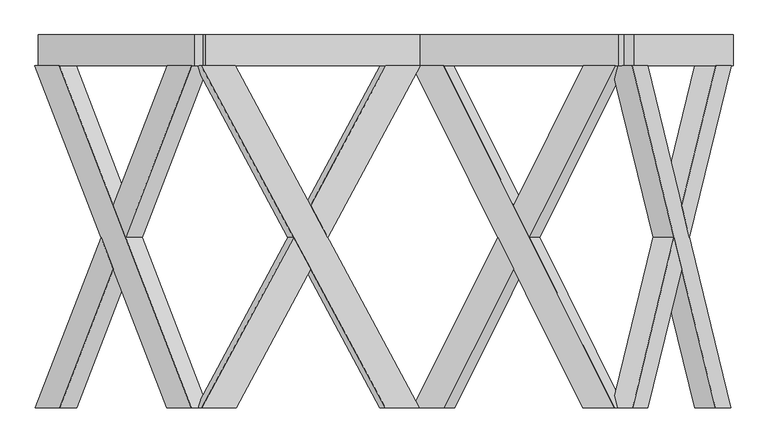
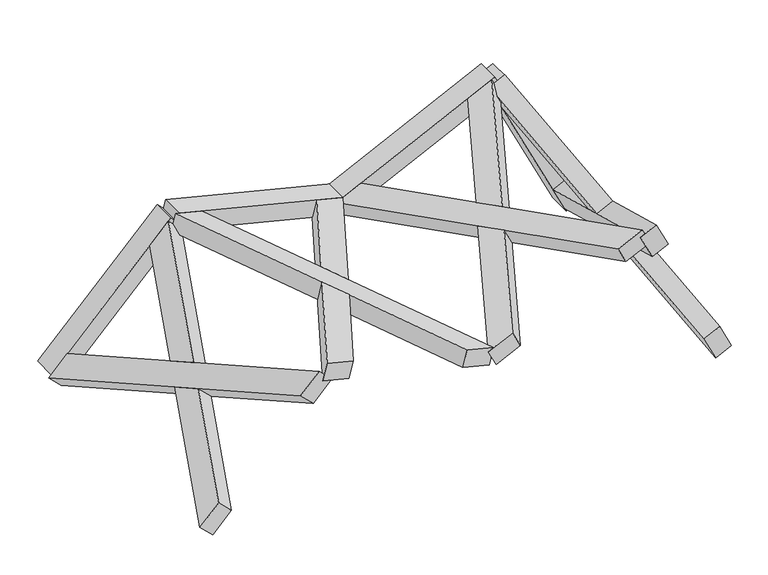
"""IFC4 building model written with IfcOpenShell, lengths in millimetres: proxy geometry."""

from ifc_helpers import new_model, si_unit, frame, origin, place, context, project, spatial, polyline, outline, extrude, faceted_brep, source, transform, mapped, element, save


def generic_models_7479a9da(model_context):
    return source(origin(), model_context, "Body", "SolidModel", [
        faceted_brep([(4303.3670753, -100.0, 17.1895597), (3763.9992457, -2319.6837757, 1123.0574928), (3663.7565589, -2319.6837757, 1328.5854586), (4203.1243885, -100.0, 222.7175255), (3798.5756658, -2319.6837757, 1394.3411306), (3898.8183526, -2319.6837757, 1188.8131648), (4117.3416451, -1420.3854116, 740.7740188), (4067.2203017, -1214.1188776, 843.5380017), (4438.1861822, -100.0, 82.9452317), (4337.9434954, -100.0, 288.4731975), (4117.3416451, -1007.8523437, 740.7740188), (4167.4629884, -1214.1188776, 638.0100359), (3999.8107482, -1214.1188776, 810.6601657), (4049.9320916, -1007.8523437, 707.8961828), (4100.053435, -1214.1188776, 605.1321999), (4049.9320916, -1420.3854116, 707.8961828)], [[[0, 1, 2, 3]], [[4, 5, 6, 7]], [[8, 9, 10, 11]], [[0, 3, 9, 8]], [[3, 2, 4, 7, 12, 13, 10, 9]], [[2, 1, 5, 4]], [[1, 0, 8, 11, 14, 15, 6, 5]], [[12, 15, 14, 13]], [[13, 14, 11, 10]], [[15, 12, 7, 6]]]),
        faceted_brep([(3661.6780009, -100.0, 1332.8471339), (3761.9206877, -100.0, 1127.3191681), (3982.5225381, -1007.8523437, 675.0183468), (3932.4011947, -1214.1188776, 777.7823297), (4301.2885173, -2319.6837757, 21.4512351), (4201.0458305, -2319.6837757, 226.9792009), (3982.5225381, -1420.3854116, 675.0183468), (4032.6438815, -1214.1188776, 572.2543639), (3796.4971079, -100.0, 1398.602806), (4335.8649375, -2319.6837757, 292.7348729), (4436.1076243, -2319.6837757, 87.2069071), (3896.7397947, -100.0, 1193.0748402), (4100.053435, -1214.1188776, 605.1321999), (4049.9320916, -1007.8523437, 707.8961828), (3999.8107482, -1214.1188776, 810.6601657), (4049.9320916, -1420.3854116, 707.8961828)], [[[0, 1, 2, 3]], [[4, 5, 6, 7]], [[8, 9, 10, 11]], [[1, 0, 8, 11]], [[11, 10, 4, 7, 12, 13, 2, 1]], [[5, 4, 10, 9]], [[9, 8, 0, 3, 14, 15, 6, 5]], [[12, 15, 14, 13]], [[13, 14, 3, 2]], [[15, 12, 7, 6]]]),
        extrude(outline(polyline([(148.3871943, 0.0), (348.3871943, 0.0), (348.3871943, -150.0), (148.3871943, -150.0), (148.3871943, 0.0)])), frame((4315.6846097, -248.3871943, -8.0651284), z_axis=(-0.43837114678907574, 0.0, 0.8987940462991679), x_axis=(0.0, 1.0, 0.0)), (0.0, 0.0, 1.0), 1460.0),
        faceted_brep([(3750.6954368, -100.0, 1257.3249274), (2644.8275037, -2319.6837757, 717.9570978), (2439.2995379, -2319.6837757, 617.714411), (3545.167471, -100.0, 1157.0822406), (2373.5438659, -2319.6837757, 752.5335179), (2579.0718317, -2319.6837757, 852.7762047), (3027.1109776, -1420.3854116, 1071.2994971), (2924.3469947, -1214.1188776, 1021.1781538), (3684.9397648, -100.0, 1392.1440343), (3479.411799, -100.0, 1291.9013475), (3027.1109776, -1007.8523437, 1071.2994971), (3129.8749605, -1214.1188776, 1121.4208405), (2957.2248307, -1214.1188776, 953.7686003), (3059.9888136, -1007.8523437, 1003.8899437), (3162.7527965, -1214.1188776, 1054.0112871), (3059.9888136, -1420.3854116, 1003.8899437)], [[[0, 1, 2, 3]], [[4, 5, 6, 7]], [[8, 9, 10, 11]], [[0, 3, 9, 8]], [[3, 2, 4, 7, 12, 13, 10, 9]], [[2, 1, 5, 4]], [[1, 0, 8, 11, 14, 15, 6, 5]], [[12, 15, 14, 13]], [[13, 14, 11, 10]], [[15, 12, 7, 6]]]),
        faceted_brep([(2435.0378625, -100.0, 615.635853), (2640.5658283, -100.0, 715.8785398), (3092.8666497, -1007.8523437, 936.4803902), (2990.1026668, -1214.1188776, 886.3590468), (3746.4337614, -2319.6837757, 1255.2463694), (3540.9057956, -2319.6837757, 1155.0036826), (3092.8666497, -1420.3854116, 936.4803902), (3195.6306326, -1214.1188776, 986.6017336), (2369.2821905, -100.0, 750.45496), (3475.1501236, -2319.6837757, 1289.8227896), (3680.6780894, -2319.6837757, 1390.0654764), (2574.8101563, -100.0, 850.6976468), (3162.7527965, -1214.1188776, 1054.0112871), (3059.9888136, -1007.8523437, 1003.8899437), (2957.2248307, -1214.1188776, 953.7686003), (3059.9888136, -1420.3854116, 1003.8899437)], [[[0, 1, 2, 3]], [[4, 5, 6, 7]], [[8, 9, 10, 11]], [[1, 0, 8, 11]], [[11, 10, 4, 7, 12, 13, 2, 1]], [[5, 4, 10, 9]], [[9, 8, 0, 3, 14, 15, 6, 5]], [[12, 15, 14, 13]], [[13, 14, 3, 2]], [[15, 12, 7, 6]]]),
        extrude(outline(polyline([(0.0, -200.0), (0.0, 0.0), (1460.0, 0.0), (1460.0, -200.0), (0.0, -200.0)])), frame((3775.9501248, -100.0, 1269.6424618), z_axis=(-0.43837114678907463, 0.0, 0.8987940462991685), x_axis=(-0.8987940462991685, 0.0, -0.43837114678907463)), (0.0, 0.0, 1.0), 150.0),
        faceted_brep([(2385.4250671, -100.0, 631.0555833), (1191.5821242, -2319.6837757, 928.7140599), (969.7038111, -2319.6837757, 984.0345366), (2163.546754, -100.0, 686.3760599), (1005.9920954, -2319.6837757, 1129.5788955), (1227.8704086, -2319.6837757, 1074.2584189), (1711.5523714, -1420.3854116, 953.662961), (1600.6132149, -1214.1188776, 981.3231994), (2421.7133515, -100.0, 776.5999422), (2199.8350383, -100.0, 831.9204189), (1711.5523714, -1007.8523437, 953.662961), (1822.491528, -1214.1188776, 926.0027227), (1582.4690727, -1214.1188776, 908.5510199), (1693.4082293, -1007.8523437, 880.8907816), (1804.3473858, -1214.1188776, 853.2305432), (1693.4082293, -1420.3854116, 880.8907816)], [[[0, 1, 2, 3]], [[4, 5, 6, 7]], [[8, 9, 10, 11]], [[0, 3, 9, 8]], [[3, 2, 4, 7, 12, 13, 10, 9]], [[2, 1, 5, 4]], [[1, 0, 8, 11, 14, 15, 6, 5]], [[12, 15, 14, 13]], [[13, 14, 11, 10]], [[15, 12, 7, 6]]]),
        faceted_brep([(965.1031071, -100.0, 985.181621), (1186.9814202, -100.0, 929.8611443), (1675.2640871, -1007.8523437, 808.1186021), (1564.3249305, -1214.1188776, 835.7788404), (2380.8243631, -2319.6837757, 632.2026676), (2158.94605, -2319.6837757, 687.5231443), (1675.2640871, -1420.3854116, 808.1186021), (1786.2032437, -1214.1188776, 780.4583638), (1001.3913914, -100.0, 1130.7259799), (2195.2343343, -2319.6837757, 833.0675032), (2417.1126474, -2319.6837757, 777.7470265), (1223.2697045, -100.0, 1075.4055032), (1804.3473858, -1214.1188776, 853.2305432), (1693.4082293, -1007.8523437, 880.8907816), (1582.4690727, -1214.1188776, 908.5510199), (1693.4082293, -1420.3854116, 880.8907816)], [[[0, 1, 2, 3]], [[4, 5, 6, 7]], [[8, 9, 10, 11]], [[1, 0, 8, 11]], [[11, 10, 4, 7, 12, 13, 2, 1]], [[5, 4, 10, 9]], [[9, 8, 0, 3, 14, 15, 6, 5]], [[12, 15, 14, 13]], [[13, 14, 3, 2]], [[15, 12, 7, 6]]]),
        extrude(outline(polyline([(0.0, -200.0), (0.0, 0.0), (1460.0, 0.0), (1460.0, -200.0), (0.0, -200.0)])), frame((2412.6888391, -100.0, 624.2579614), z_axis=(0.24192189559966737, 0.0, 0.9702957262759967), x_axis=(-0.9702957262759967, 0.0, 0.24192189559966737)), (0.0, 0.0, 1.0), 150.0),
        faceted_brep([(1048.6329068, -100.0, 977.9244225), (193.9316329, -2319.6837757, 92.8553442), (35.0835381, -2319.6837757, -71.6366732), (889.784812, -100.0, 813.4324051), (-72.8174319, -2319.6837757, 32.5620824), (86.0306628, -2319.6837757, 197.0540997), (432.3103743, -1420.3854116, 555.637238), (352.8863269, -1214.1188776, 473.3912293), (940.7319367, -100.0, 1082.1231781), (781.883842, -100.0, 917.6311607), (432.3103743, -1007.8523437, 555.637238), (511.7344217, -1214.1188776, 637.8832467), (406.836812, -1214.1188776, 421.2918515), (486.2608593, -1007.8523437, 503.5378602), (565.6849067, -1214.1188776, 585.7838689), (486.2608593, -1420.3854116, 503.5378602)], [[[0, 1, 2, 3]], [[4, 5, 6, 7]], [[8, 9, 10, 11]], [[0, 3, 9, 8]], [[3, 2, 4, 7, 12, 13, 10, 9]], [[2, 1, 5, 4]], [[1, 0, 8, 11, 14, 15, 6, 5]], [[12, 15, 14, 13]], [[13, 14, 11, 10]], [[15, 12, 7, 6]]]),
        faceted_brep([(31.7897819, -100.0, -75.0474576), (190.6378767, -100.0, 89.4445598), (540.2113443, -1007.8523437, 451.4384825), (460.787297, -1214.1188776, 369.1924738), (1045.3391506, -2319.6837757, 974.5136381), (886.4910558, -2319.6837757, 810.0216207), (540.2113443, -1420.3854116, 451.4384825), (619.6353917, -1214.1188776, 533.6844911), (-76.1111881, -100.0, 29.151298), (778.5900858, -2319.6837757, 914.2203763), (937.4381805, -2319.6837757, 1078.7123937), (82.7369066, -100.0, 193.6433153), (565.6849067, -1214.1188776, 585.7838689), (486.2608593, -1007.8523437, 503.5378602), (406.836812, -1214.1188776, 421.2918515), (486.2608593, -1420.3854116, 503.5378602)], [[[0, 1, 2, 3]], [[4, 5, 6, 7]], [[8, 9, 10, 11]], [[1, 0, 8, 11]], [[11, 10, 4, 7, 12, 13, 2, 1]], [[5, 4, 10, 9]], [[9, 8, 0, 3, 14, 15, 6, 5]], [[12, 15, 14, 13]], [[13, 14, 3, 2]], [[15, 12, 7, 6]]]),
        extrude(outline(polyline([(-148.3871943, 0.0), (-148.3871943, -150.0), (-348.3871943, -150.0), (-348.3871943, 0.0), (-148.3871943, 0.0)])), frame((53.950485, -248.3871943, -52.0993778), z_axis=(0.6946583704589979, 0.0, 0.7193398003386506), x_axis=(0.0, -1.0, 0.0)), (0.0, 0.0, 1.0), 1460.0),
    ])


if __name__ == "__main__":
    model = new_model("IFC4")
    model_context = context("Model", 3, world=origin())
    ifc_project = project(units=[si_unit("LENGTHUNIT", "METRE", prefix="MILLI")], contexts=[model_context])
    site = spatial("IfcSite", under=ifc_project)
    building = spatial("IfcBuilding", under=site)
    placement = place(None, origin())
    generic_models_shape = generic_models_7479a9da(model_context)
    element("IfcBuildingElementProxy", 1, Name="Generic Models", at=placement, inside=building, context=model_context, shape_type="MappedRepresentation", body=[
        mapped(generic_models_shape, transform((0.0, 0.0, 0.0), x_axis=(1.0, 0.0, 0.0), y_axis=(0.0, 1.0, 0.0), z_axis=(0.0, 0.0, 1.0))),
    ])
    save(model, "model.ifc")
